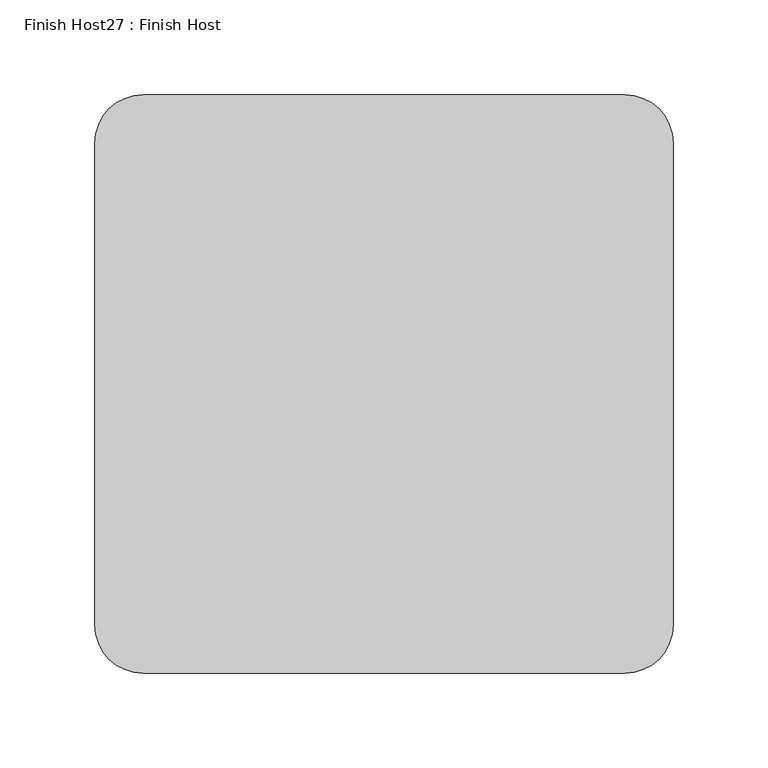
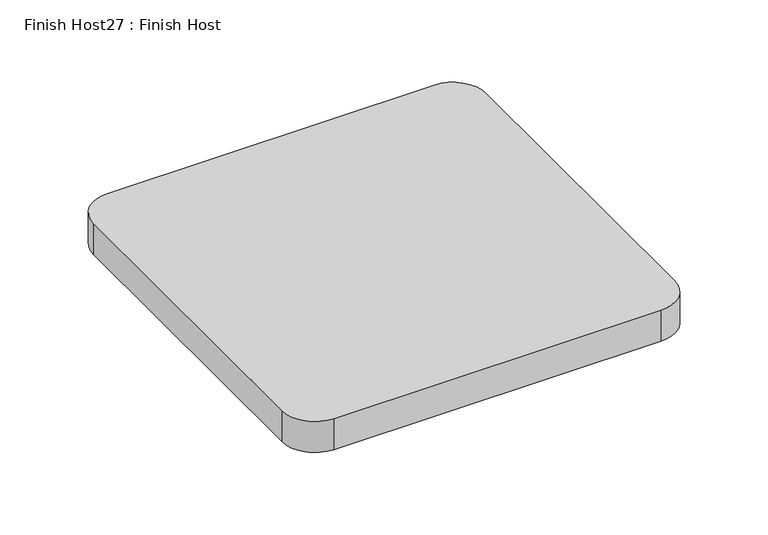
"""IFC4 building model written with IfcOpenShell, lengths in millimetres: proxy geometry, Finish Host27 : Finish Host."""

from ifc_helpers import new_model, si_unit, point, frame_2d, origin, origin_with_axes, place, context, project, spatial, polyline, circle_curve, trimmed, segment, composite_curve, outline, extrude, source, transform, mapped, element, save


def finish_host27_finish_host_7d3b422b(model_context):
    return source(origin(), model_context, "Body", "SweptSolid", [
        extrude(outline(composite_curve([segment(polyline([(1191.0934426, 546.4122951), (1191.0934426, 800.4122951)]), True, "CONTINUOUS"), segment(trimmed(circle_curve(frame_2d((1216.4934426, 800.4122951)), 25.4), [point((1191.0934426, 800.4122951))], [point((1216.4934426, 825.8122951))], False, "CARTESIAN"), True, "CONTINUOUS"), segment(polyline([(1216.4934426, 825.8122951), (1470.4934426, 825.8122951)]), True, "CONTINUOUS"), segment(trimmed(circle_curve(frame_2d((1470.4934426, 800.4122951)), 25.4), [point((1470.4934426, 825.8122951))], [point((1495.8934426, 800.4122951))], False, "CARTESIAN"), True, "CONTINUOUS"), segment(polyline([(1495.8934426, 800.4122951), (1495.8934426, 546.4122951)]), True, "CONTINUOUS"), segment(trimmed(circle_curve(frame_2d((1470.4934426, 546.4122951)), 25.4), [point((1495.8934426, 546.4122951))], [point((1470.4934426, 521.0122951))], False, "CARTESIAN"), True, "CONTINUOUS"), segment(polyline([(1470.4934426, 521.0122951), (1216.4934426, 521.0122951)]), True, "CONTINUOUS"), segment(trimmed(circle_curve(frame_2d((1216.4934426, 546.4122951)), 25.4), [point((1216.4934426, 521.0122951))], [point((1191.0934426, 546.4122951))], False, "CARTESIAN"), True, "CONTINUOUS")], self_intersect=False)), origin_with_axes(), (0.0, 0.0, 1.0), 25.4),
    ])


if __name__ == "__main__":
    model = new_model("IFC4")
    model_context = context("Model", 3, world=origin())
    ifc_project = project(units=[si_unit("LENGTHUNIT", "METRE", prefix="MILLI")], contexts=[model_context])
    site = spatial("IfcSite", under=ifc_project)
    building = spatial("IfcBuilding", under=site)
    placement = place(None, origin())
    finish_host27_finish_host_shape = finish_host27_finish_host_7d3b422b(model_context)
    element("IfcBuildingElementProxy", 1, Name="Finish Host27 : Finish Host", ObjectType="Finish Host27 : Finish Host", at=placement, inside=building, context=model_context, shape_type="MappedRepresentation", body=[
        mapped(finish_host27_finish_host_shape, transform((0.0, 0.0, 0.0), x_axis=(1.0, 0.0, 0.0), y_axis=(0.0, 1.0, 0.0), z_axis=(0.0, 0.0, 1.0))),
    ])
    save(model, "model.ifc")
